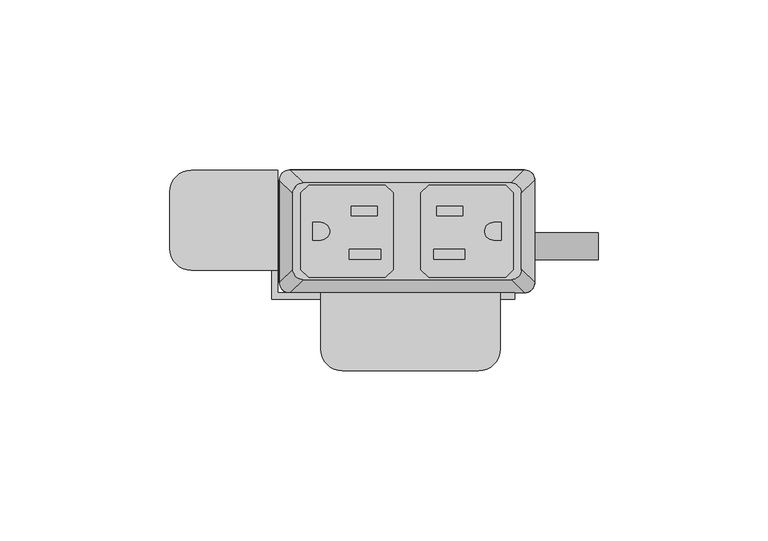
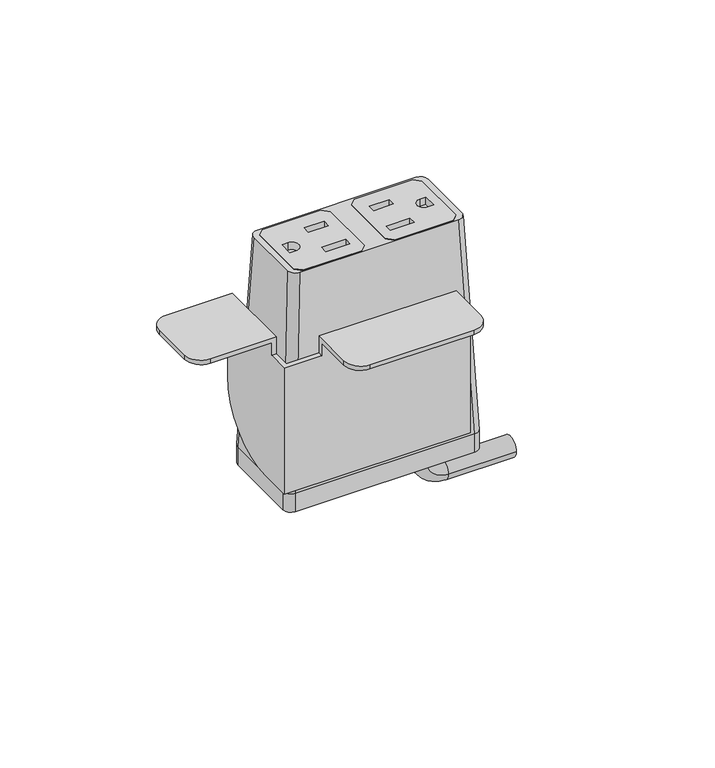
"""IFC4 building model written with IfcOpenShell, lengths in millimetres: furniture geometry."""

from ifc_helpers import new_model, si_unit, point, frame, frame_2d, origin, place, context, project, spatial, polyline, circle_curve, ellipse_curve, trimmed, segment, composite_curve, outline, extrude, source, transform, mapped, element, save
from ifc_brep_helpers import plane_surface, cylinder_surface, revolved_surface, extruded_surface, advanced_brep


def furniture_06a20ab9(model_context):
    return source(origin(), model_context, "Body", "SolidModel", [
        extrude(outline(polyline([(28.9877496, 31.6867491), (31.2737497, 29.400774), (31.2737497, 6.7950272), (28.9877496, 4.5090526), (6.3817502, 4.5090526), (4.0957501, 6.7950272), (4.0957501, 29.400774), (6.3817502, 31.6867491), (28.9877496, 31.6867491)]), holes=[polyline([(16.3893498, 25.5262103), (8.71855, 25.5262103), (8.71855, 22.6814439), (16.3893498, 22.6814439), (16.3893498, 25.5262103)]), polyline([(17.0497496, 12.7755533), (7.8041498, 12.7755533), (7.8041498, 9.9307858), (17.0497496, 9.9307858), (17.0497496, 12.7755533)]), composite_curve([segment(polyline([(27.7177508, 20.7140722), (25.4427305, 20.7140722)]), True, "CONTINUOUS"), segment(trimmed(circle_curve(frame_2d((25.4427305, 18.0979012)), 2.616171), [point((25.4427305, 20.7140722))], [point((25.4427305, 15.4817301))], True, "CARTESIAN"), True, "CONTINUOUS"), segment(polyline([(25.4427305, 15.4817301), (27.7177508, 15.4817301), (27.7177508, 20.7140722)]), True, "CONTINUOUS")], self_intersect=False)]), frame((0.0, 0.0, 720.9747365), z_axis=(0.0, 0.0, 1.0), x_axis=(1.0, 0.0, 0.0)), (0.0, 0.0, 1.0), 2.9555086),
        extrude(outline(polyline([(-28.9877496, 31.6867491), (-6.3817502, 31.6867491), (-4.0957501, 29.400774), (-4.0957501, 6.7950272), (-6.3817502, 4.5090526), (-28.9877496, 4.5090526), (-31.2737497, 6.7950272), (-31.2737497, 29.400774), (-28.9877496, 31.6867491)]), holes=[polyline([(-16.3893498, 25.5262103), (-16.3893498, 22.6814439), (-8.71855, 22.6814439), (-8.71855, 25.5262103), (-16.3893498, 25.5262103)]), polyline([(-17.0497496, 12.7755533), (-17.0497496, 9.9307858), (-7.8041498, 9.9307858), (-7.8041498, 12.7755533), (-17.0497496, 12.7755533)]), composite_curve([segment(polyline([(-27.7177508, 20.7140722), (-27.7177508, 15.4817301), (-25.4427305, 15.4817301)]), True, "CONTINUOUS"), segment(trimmed(circle_curve(frame_2d((-25.4427305, 18.0979012)), 2.616171), [point((-25.4427305, 15.4817301))], [point((-25.4427305, 20.7140722))], True, "CARTESIAN"), True, "CONTINUOUS"), segment(polyline([(-25.4427305, 20.7140722), (-27.7177508, 20.7140722)]), True, "CONTINUOUS")], self_intersect=False)]), frame((0.0, 0.0, 720.9747365), z_axis=(0.0, 0.0, 1.0), x_axis=(1.0, 0.0, 0.0)), (0.0, 0.0, 1.0), 2.9555086),
        advanced_brep(
        [(-30.6070003, 32.3219007, 723.9170623), (-33.6549997, 29.2739013, 723.9170623), (-33.6549997, 6.9219002, 723.9170623), (-30.6070003, 3.8739008, 723.9170623), (30.6070003, 3.8739008, 723.9170623), (33.6549997, 6.9219002, 723.9170623), (33.6549997, 29.2739013, 723.9170623), (30.6070003, 32.3219007, 723.9170623), (4.0957501, 29.400774, 723.9170623), (6.3817502, 31.6867491, 723.9170623), (28.9877496, 31.6867491, 723.9170623), (31.2737497, 29.400774, 723.9170623), (31.2737497, 6.7950272, 723.9170623), (28.9877496, 4.5090526, 723.9170623), (6.3817502, 4.5090526, 723.9170623), (4.0957501, 6.7950272, 723.9170623), (-4.0957501, 29.400774, 723.9170623), (-4.0957501, 6.7950272, 723.9170623), (-6.3817502, 4.5090526, 723.9170623), (-28.9877496, 4.5090526, 723.9170623), (-31.2737497, 6.7950272, 723.9170623), (-31.2737497, 29.400774, 723.9170623), (-28.9877496, 31.6867491, 723.9170623), (-6.3817502, 31.6867491, 723.9170623), (-34.5440011, 36.1954015, 637.5702434), (34.5440011, 36.1954015, 637.5702434), (37.5920005, 33.1474021, 637.5702434), (37.5920005, 3.0484002, 637.5702434), (34.5440011, 0.0004009, 637.5702434), (-34.5440011, 0.0004009, 637.5702434), (-37.5920005, 3.0484002, 637.5702434), (-37.5920005, 33.1474021, 637.5702434), (4.0957501, 29.400774, 716.7751211), (4.0957501, 6.7950272, 716.7751211), (6.3817502, 4.5090526, 716.7751211), (28.9877496, 4.5090526, 716.7751211), (31.2737497, 6.7950272, 716.7751211), (31.2737497, 29.400774, 716.7751211), (28.9877496, 31.6867491, 716.7751211), (6.3817502, 31.6867491, 716.7751211), (-4.0957501, 29.400774, 716.7751211), (-6.3817502, 31.6867491, 716.7751211), (-28.9877496, 31.6867491, 716.7751211), (-31.2737497, 29.400774, 716.7751211), (-31.2737497, 6.7950272, 716.7751211), (-28.9877496, 4.5090526, 716.7751211), (-6.3817502, 4.5090526, 716.7751211), (-4.0957501, 6.7950272, 716.7751211)],
        [
            (0, 1, circle_curve(frame((-30.6070003, 29.2739013, 723.9170623), z_axis=(0.0, 0.0, 1.0), x_axis=(-1.0, 0.0, 0.0)), 3.0479994)),
            (1, 2),
            (2, 3, circle_curve(frame((-30.6070003, 6.9219002, 723.9170623), z_axis=(0.0, 0.0, 1.0), x_axis=(-1.0, 0.0, 0.0)), 3.0479994)),
            (3, 4),
            (4, 5, circle_curve(frame((30.6070003, 6.9219002, 723.9170623), z_axis=(0.0, 0.0, 1.0), x_axis=(-1.0, 0.0, 0.0)), 3.0479994)),
            (5, 6),
            (6, 7, circle_curve(frame((30.6070003, 29.2739013, 723.9170623), z_axis=(0.0, 0.0, 1.0), x_axis=(-1.0, 0.0, 0.0)), 3.0479994)),
            (7, 0),
            (8, 9),
            (9, 10),
            (10, 11),
            (11, 12),
            (12, 13),
            (13, 14),
            (14, 15),
            (15, 8),
            (16, 17),
            (17, 18),
            (18, 19),
            (19, 20),
            (20, 21),
            (21, 22),
            (22, 23),
            (23, 16),
            (24, 25),
            (25, 26, circle_curve(frame((34.5440011, 33.1474021, 637.5702434), z_axis=(0.0, 0.0, -1.0), x_axis=(-1.0, 0.0, 0.0)), 3.0479994)),
            (26, 27),
            (27, 28, circle_curve(frame((34.5440011, 3.0484002, 637.5702434), z_axis=(0.0, 0.0, -1.0), x_axis=(-1.0, 0.0, 0.0)), 3.0479994)),
            (28, 29),
            (29, 30, circle_curve(frame((-34.5440011, 3.0484002, 637.5702434), z_axis=(0.0, 0.0, -1.0), x_axis=(-1.0, 0.0, 0.0)), 3.0479994)),
            (30, 31),
            (31, 24, circle_curve(frame((-34.5440011, 33.1474021, 637.5702434), z_axis=(0.0, 0.0, -1.0), x_axis=(-1.0, 0.0, 0.0)), 3.0479994)),
            (0, 24),
            (31, 1),
            (30, 2),
            (29, 3),
            (28, 4),
            (27, 5),
            (26, 6),
            (25, 7),
            (32, 33),
            (33, 34),
            (34, 35),
            (35, 36),
            (36, 37),
            (37, 38),
            (38, 39),
            (39, 32),
            (40, 41),
            (41, 42),
            (42, 43),
            (43, 44),
            (44, 45),
            (45, 46),
            (46, 47),
            (47, 40),
            (39, 9),
            (8, 32),
            (38, 10),
            (37, 11),
            (36, 12),
            (35, 13),
            (34, 14),
            (33, 15),
            (47, 17),
            (16, 40),
            (46, 18),
            (45, 19),
            (44, 20),
            (43, 21),
            (42, 22),
            (41, 23),
        ],
        [
            plane_surface(frame((0.0, 18.0979007, 723.9170623), z_axis=(0.0, 0.0, 1.0), x_axis=(-1.0, 0.0, 0.0))),
            plane_surface(frame((0.0, 18.0979012, 637.5702434), z_axis=(0.0, 0.0, -1.0), x_axis=(-1.0, 0.0, 0.0))),
            extruded_surface(trimmed(circle_curve(frame((-34.5440011, 33.1474021, 637.5702434), z_axis=(0.0, 0.0, 1.0), x_axis=(-1.0, 0.0, 0.0)), 3.0479994), [point((-34.5440011, 36.1954015, 637.5702434))], [point((-37.5920005, 33.1474021, 637.5702434))], True, "CARTESIAN"), (3.9370008000000034, -3.873500800000002, 86.34681890000002), 86.52327500676452),
            plane_surface(frame((-37.5920005, 18.0979012, 637.5702434), z_axis=(-0.9989621566211194, 0.0, 0.04554788292425982), x_axis=(0.0, -1.0, 0.0))),
            extruded_surface(trimmed(circle_curve(frame((-34.5440011, 3.0484002, 637.5702434), z_axis=(0.0, 0.0, 1.0), x_axis=(-1.0, 0.0, 0.0)), 3.0479994), [point((-37.5920005, 3.0484002, 637.5702434))], [point((-34.5440011, 0.0004009, 637.5702434))], True, "CARTESIAN"), (3.9370008000000034, 3.8734999999999995, 86.34681890000002), 86.52327497094987),
            plane_surface(frame((0.0, 0.0004009, 637.5702434), z_axis=(0.0, -0.9989953158490498, 0.044814717578687276), x_axis=(1.0, 0.0, 0.0))),
            extruded_surface(trimmed(circle_curve(frame((34.5440011, 3.0484002, 637.5702434), z_axis=(0.0, 0.0, 1.0), x_axis=(-1.0, 0.0, 0.0)), 3.0479994), [point((34.5440011, 0.0004009, 637.5702434))], [point((37.5920005, 3.0484002, 637.5702434))], True, "CARTESIAN"), (-3.9370008000000034, 3.8734999999999995, 86.34681890000002), 86.52327497094987),
            plane_surface(frame((37.5920005, 18.0979012, 637.5702434), z_axis=(0.9989621566211194, 0.0, 0.04554788292425977), x_axis=(0.0, 1.0, 0.0))),
            extruded_surface(trimmed(circle_curve(frame((34.5440011, 33.1474021, 637.5702434), z_axis=(0.0, 0.0, 1.0), x_axis=(-1.0, 0.0, 0.0)), 3.0479994), [point((37.5920005, 33.1474021, 637.5702434))], [point((34.5440011, 36.1954015, 637.5702434))], True, "CARTESIAN"), (-3.9370008000000034, -3.873500800000002, 86.34681890000002), 86.52327500676452),
            plane_surface(frame((0.0, 36.1954015, 637.5702434), z_axis=(0.0, 0.9989953153818162, 0.04481472799410512), x_axis=(-1.0, 0.0, 0.0))),
            plane_surface(frame((4.0957501, 29.400774, 716.7751211), z_axis=(0.0, 0.0, 1.0), x_axis=(0.707110644658062, 0.7071029176939239, 0.0))),
            plane_surface(frame((4.0957501, 29.400774, 716.7751211), z_axis=(0.7071029176939239, -0.707110644658062, 0.0), x_axis=(0.0, 0.0, 1.0))),
            plane_surface(frame((6.3817502, 31.6867491, 716.7751211), z_axis=(0.0, -1.0, 0.0), x_axis=(0.0, 0.0, 1.0))),
            plane_surface(frame((28.9877496, 31.6867491, 716.7751211), z_axis=(-0.7071029176939239, -0.707110644658062, 0.0), x_axis=(0.0, 0.0, 1.0))),
            plane_surface(frame((31.2737497, 29.400774, 716.7751211), z_axis=(-1.0, 0.0, 0.0), x_axis=(0.0, 0.0, 1.0))),
            plane_surface(frame((31.2737497, 6.7950272, 716.7751211), z_axis=(-0.7071028298865373, 0.7071107324644781, 0.0), x_axis=(0.0, 0.0, 1.0))),
            plane_surface(frame((28.9877496, 4.5090526, 716.7751211), z_axis=(0.0, 1.0, 0.0), x_axis=(0.0, 0.0, 1.0))),
            plane_surface(frame((6.3817502, 4.5090526, 716.7751211), z_axis=(0.7071028298865373, 0.7071107324644781, 0.0), x_axis=(0.0, 0.0, 1.0))),
            plane_surface(frame((4.0957501, 6.7950272, 716.7751211), z_axis=(1.0, 0.0, 0.0), x_axis=(0.0, 0.0, 1.0))),
            plane_surface(frame((-4.0957501, 29.400774, 716.7751211), z_axis=(-1.0, 0.0, 0.0), x_axis=(0.0, 0.0, 1.0))),
            plane_surface(frame((-4.0957501, 6.7950272, 716.7751211), z_axis=(-0.7071028298865389, 0.7071107324644764, 0.0), x_axis=(0.0, 0.0, 1.0))),
            plane_surface(frame((-6.3817502, 4.5090526, 716.7751211), z_axis=(0.0, 1.0, 0.0), x_axis=(0.0, 0.0, 1.0))),
            plane_surface(frame((-28.9877496, 4.5090526, 716.7751211), z_axis=(0.707102829886537, 0.7071107324644784, 0.0), x_axis=(0.0, 0.0, 1.0))),
            plane_surface(frame((-31.2737497, 6.7950272, 716.7751211), z_axis=(1.0, 0.0, 0.0), x_axis=(0.0, 0.0, 1.0))),
            plane_surface(frame((-31.2737497, 29.400774, 716.7751211), z_axis=(0.7071029176940063, -0.7071106446579796, 0.0), x_axis=(0.0, 0.0, 1.0))),
            plane_surface(frame((-28.9877496, 31.6867491, 716.7751211), z_axis=(0.0, -1.0, 0.0), x_axis=(0.0, 0.0, 1.0))),
            plane_surface(frame((-6.3817502, 31.6867491, 716.7751211), z_axis=(-0.7071029176940076, -0.7071106446579782, 0.0), x_axis=(0.0, 0.0, 1.0))),
        ],
        [
            (0, [[1, 2, 3, 4, 5, 6, 7, 8], [9, 10, 11, 12, 13, 14, 15, 16], [17, 18, 19, 20, 21, 22, 23, 24]]),
            (1, [[25, 26, 27, 28, 29, 30, 31, 32]]),
            (2, [[-1, 33, -32, 34]]),
            (3, [[-2, -34, -31, 35]]),
            (4, [[-3, -35, -30, 36]]),
            (5, [[-4, -36, -29, 37]]),
            (6, [[-5, -37, -28, 38]]),
            (7, [[-6, -38, -27, 39]]),
            (8, [[-7, -39, -26, 40]]),
            (9, [[-8, -40, -25, -33]]),
            (10, [[41, 42, 43, 44, 45, 46, 47, 48]]),
            (10, [[49, 50, 51, 52, 53, 54, 55, 56]]),
            (11, [[-48, 57, -9, 58]]),
            (12, [[-47, 59, -10, -57]]),
            (13, [[-46, 60, -11, -59]]),
            (14, [[-45, 61, -12, -60]]),
            (15, [[-44, 62, -13, -61]]),
            (16, [[-43, 63, -14, -62]]),
            (17, [[-42, 64, -15, -63]]),
            (18, [[-41, -58, -16, -64]]),
            (19, [[-56, 65, -17, 66]]),
            (20, [[-55, 67, -18, -65]]),
            (21, [[-54, 68, -19, -67]]),
            (22, [[-53, 69, -20, -68]]),
            (23, [[-52, 70, -21, -69]]),
            (24, [[-51, 71, -22, -70]]),
            (25, [[-50, 72, -23, -71]]),
            (26, [[-49, -66, -24, -72]]),
        ],
    ),
        advanced_brep(
        [(21.5715504, 17.7128311, 630.0960348), (21.5715504, 9.7137856, 630.0960348), (21.5715504, 17.7128311, 625.2662821), (21.5715504, 9.7137856, 625.2662821), (30.0384415, 9.7137856, 616.799391), (30.0384415, 17.7128311, 616.799391), (56.2588798, 17.7128311, 616.799391), (56.2588798, 9.7137856, 616.799391)],
        [
            (0, 1, circle_curve(frame((21.5715504, 13.7133083, 630.0960348), z_axis=(0.0, 0.0, 1.0), x_axis=(0.0, -1.0, 0.0)), 3.9995228)),
            (1, 0, circle_curve(frame((21.5715504, 13.7133083, 630.0960348), z_axis=(0.0, 0.0, 1.0), x_axis=(0.0, -1.0, 0.0)), 3.9995228)),
            (0, 2),
            (2, 3, circle_curve(frame((21.5715504, 13.7133083, 625.2662821), z_axis=(0.0, 0.0, 1.0), x_axis=(0.0, -1.0, 0.0)), 3.9995228)),
            (3, 1),
            (3, 2, circle_curve(frame((21.5715504, 13.7133083, 625.2662821), z_axis=(0.0, 0.0, 1.0), x_axis=(0.0, -1.0, 0.0)), 3.9995228)),
            (4, 3, circle_curve(frame((30.0384415, 9.7137856, 625.2662821), z_axis=(0.0, 1.0, 0.0), x_axis=(-1.0, 0.0, 0.0)), 8.4668911)),
            (2, 5, circle_curve(frame((30.0384415, 17.7128311, 625.2662821), z_axis=(0.0, -1.0, 0.0), x_axis=(-1.0, 0.0, 0.0)), 8.4668911)),
            (5, 4, circle_curve(frame((30.0384415, 13.7133083, 616.799391), z_axis=(-1.0, 0.0, 0.0), x_axis=(0.0, -1.0, 0.0)), 3.9995228)),
            (4, 5, circle_curve(frame((30.0384415, 13.7133083, 616.799391), z_axis=(-1.0, 0.0, 0.0), x_axis=(0.0, -1.0, 0.0)), 3.9995228)),
            (6, 7, circle_curve(frame((56.2588798, 13.7133083, 616.799391), z_axis=(1.0, 0.0, 0.0), x_axis=(0.0, -1.0, 0.0)), 3.9995228)),
            (7, 6, circle_curve(frame((56.2588798, 13.7133083, 616.799391), z_axis=(1.0, 0.0, 0.0), x_axis=(0.0, -1.0, 0.0)), 3.9995228)),
            (5, 6),
            (7, 4),
        ],
        [
            plane_surface(frame((21.5715504, 0.0, 630.0960348), z_axis=(0.0, 0.0, 1.0), x_axis=(0.0, -1.0, 0.0))),
            cylinder_surface(frame((21.5715504, 13.7133083, 630.0960348), z_axis=(0.0, 0.0, 1.0), x_axis=(0.0, -1.0, 0.0)), 3.9995228),
            revolved_surface(trimmed(ellipse_curve(frame((21.5715504, 13.7133083, 625.2662821), z_axis=(0.0, 0.0, 1.0), x_axis=(0.0, -1.0, 0.0)), 3.9995228, 3.9995228), [point((21.5715504, 17.7128311, 625.2662821))], [point((21.5715504, 9.7137856, 625.2662821))], True, "CARTESIAN"), (30.0384415, 0.0, 625.2662821), (0.0, -1.0, 0.0)),
            revolved_surface(trimmed(ellipse_curve(frame((21.5715504, 13.7133083, 625.2662821), z_axis=(0.0, 0.0, 1.0), x_axis=(0.0, -1.0, 0.0)), 3.9995228, 3.9995228), [point((21.5715504, 9.7137856, 625.2662821))], [point((21.5715504, 17.7128311, 625.2662821))], True, "CARTESIAN"), (30.0384415, 0.0, 625.2662821), (0.0, -1.0, 0.0)),
            plane_surface(frame((56.2588798, 0.0, 616.799391), z_axis=(1.0, 0.0, 0.0), x_axis=(0.0, -1.0, 0.0))),
            cylinder_surface(frame((30.0384415, 13.7133083, 616.799391), z_axis=(-1.0, 0.0, 0.0), x_axis=(0.0, -1.0, 0.0)), 3.9995228),
        ],
        [
            (0, [[1, 2]]),
            (1, [[-1, 3, 4, 5]]),
            (1, [[-2, -5, 6, -3]]),
            (2, [[7, -4, 8, 9]]),
            (3, [[-8, -6, -7, 10]]),
            (4, [[11, 12]]),
            (5, [[-9, 13, -12, 14]]),
            (5, [[-10, -14, -11, -13]]),
        ],
    ),
        extrude(outline(composite_curve([segment(trimmed(circle_curve(frame_2d((34.5440011, 33.1474021)), 3.0479994), [point((34.5440011, 36.1954015))], [point((37.5920005, 33.1474021))], False, "CARTESIAN"), True, "CONTINUOUS"), segment(polyline([(37.5920005, 33.1474021), (37.5920005, 3.0484002)]), True, "CONTINUOUS"), segment(trimmed(circle_curve(frame_2d((34.5440011, 3.0484002)), 3.0479994), [point((37.5920005, 3.0484002))], [point((34.5440011, 0.0004009))], False, "CARTESIAN"), True, "CONTINUOUS"), segment(polyline([(34.5440011, 0.0004009), (-34.5440011, 0.0004009)]), True, "CONTINUOUS"), segment(trimmed(circle_curve(frame_2d((-34.5440011, 3.0484002)), 3.0479994), [point((-34.5440011, 0.0004009))], [point((-37.5920005, 3.0484002))], False, "CARTESIAN"), True, "CONTINUOUS"), segment(polyline([(-37.5920005, 3.0484002), (-37.5920005, 33.1474021)]), True, "CONTINUOUS"), segment(trimmed(circle_curve(frame_2d((-34.5440011, 33.1474021)), 3.0479994), [point((-37.5920005, 33.1474021))], [point((-34.5440011, 36.1954015))], False, "CARTESIAN"), True, "CONTINUOUS"), segment(polyline([(-34.5440011, 36.1954015), (34.5440011, 36.1954015)]), True, "CONTINUOUS")], self_intersect=False)), frame((0.0, 0.0, 630.0960348), z_axis=(0.0, 0.0, 1.0), x_axis=(1.0, 0.0, 0.0)), (0.0, 0.0, 1.0), 7.4742086),
        advanced_brep(
        [(-63.4998651, 6.6265515, 696.722), (-69.8498653, 12.9765517, 696.722), (-69.8498653, 29.7151512, 696.722), (-63.4998645, 36.0651519, 696.722), (-39.877862, 36.0651519, 696.722), (-39.877862, 6.6265515, 696.722), (27.4321373, -16.6144474, 696.722), (21.0821366, -22.9644481, 696.722), (-19.0498626, -22.9644481, 696.722), (-25.3998622, -16.6144485, 696.722), (-25.3998622, -1.9078486, 696.722), (27.4321373, -1.9078486, 696.722), (-63.4998645, 36.0651519, 698.5), (-69.8498653, 29.7151512, 698.5), (-69.8498653, 12.9765517, 698.5), (-63.4998651, 6.6265515, 698.5), (-38.0998637, 6.6265515, 698.5), (-38.0998637, 36.0651519, 698.5), (-25.3998622, 0.0, 698.5), (-25.3998622, -16.6144485, 698.5), (-19.0498626, -22.9644481, 698.5), (21.0821366, -22.9644481, 698.5), (27.4321373, -16.6144474, 698.5), (27.4321373, 0.0, 698.5), (-38.0998637, 36.0651519, 665.4799997), (-39.877862, 36.0651519, 665.4799997), (-39.877862, 6.6265515, 691.6419997), (-38.0998637, 6.6265515, 691.6419997), (-38.0998637, 0.0, 691.6419997), (-38.0998637, 0.0, 640.0800012), (-38.0998637, 10.6651534, 640.0800012), (27.4321373, -1.9078486, 691.6419997), (27.4321373, 0.0, 691.6419997), (31.7501378, 0.0, 691.6419997), (31.7501378, 0.0, 640.0800012), (-25.3998622, 0.0, 691.6419997), (-25.3998622, -1.9078486, 691.6419997), (-39.877862, 10.6651534, 640.0800012), (-39.877862, -1.9078486, 640.0800012), (-39.877862, -1.9078486, 691.6419997), (31.7501378, -1.9078486, 640.0800012), (31.7501378, -1.9078486, 691.6419997)],
        [
            (0, 1, circle_curve(frame((-63.4998651, 12.9765517, 696.722), z_axis=(0.0, 0.0, -1.0), x_axis=(-1.0, 0.0, 0.0)), 6.3500002)),
            (1, 2),
            (2, 3, circle_curve(frame((-63.4998645, 29.7151512, 696.722), z_axis=(0.0, 0.0, -1.0), x_axis=(-1.0, 0.0, 0.0)), 6.3500008)),
            (3, 4),
            (4, 5),
            (5, 0),
            (6, 7, circle_curve(frame((21.0821366, -16.6144474, 696.722), z_axis=(0.0, 0.0, -1.0), x_axis=(-1.0, 0.0, 0.0)), 6.3500008)),
            (7, 8),
            (8, 9, circle_curve(frame((-19.0498626, -16.6144485, 696.722), z_axis=(0.0, 0.0, -1.0), x_axis=(-1.0, 0.0, 0.0)), 6.3499996)),
            (9, 10),
            (10, 11),
            (11, 6),
            (12, 13, circle_curve(frame((-63.4998645, 29.7151512, 698.5), z_axis=(0.0, 0.0, 1.0), x_axis=(-1.0, 0.0, 0.0)), 6.3500008)),
            (13, 14),
            (14, 15, circle_curve(frame((-63.4998651, 12.9765517, 698.5), z_axis=(0.0, 0.0, 1.0), x_axis=(-1.0, 0.0, 0.0)), 6.3500002)),
            (15, 16),
            (16, 17),
            (17, 12),
            (18, 19),
            (19, 20, circle_curve(frame((-19.0498626, -16.6144485, 698.5), z_axis=(0.0, 0.0, 1.0), x_axis=(-1.0, 0.0, 0.0)), 6.3499996)),
            (20, 21),
            (21, 22, circle_curve(frame((21.0821366, -16.6144474, 698.5), z_axis=(0.0, 0.0, 1.0), x_axis=(-1.0, 0.0, 0.0)), 6.3500008)),
            (22, 23),
            (23, 18),
            (3, 12),
            (17, 24),
            (24, 25),
            (25, 4),
            (2, 13),
            (1, 14),
            (0, 15),
            (5, 26),
            (26, 27),
            (27, 16),
            (27, 28),
            (28, 29),
            (29, 30),
            (30, 24, circle_curve(frame((-38.0998637, 10.6651534, 665.4799997), z_axis=(1.0, 0.0, 0.0), x_axis=(0.0, -1.0, 0.0)), 25.3999985)),
            (8, 20),
            (19, 9),
            (7, 21),
            (6, 22),
            (11, 31),
            (31, 32),
            (32, 23),
            (32, 33),
            (33, 34),
            (34, 29),
            (28, 35),
            (35, 18),
            (35, 36),
            (36, 10),
            (25, 37, circle_curve(frame((-39.877862, 10.6651534, 665.4799997), z_axis=(-1.0, 0.0, 0.0), x_axis=(0.0, -1.0, 0.0)), 25.3999985)),
            (37, 38),
            (38, 39),
            (39, 26),
            (30, 37),
            (34, 40),
            (40, 38),
            (40, 41),
            (41, 31),
            (36, 39),
            (41, 33),
        ],
        [
            plane_surface(frame((-63.4998645, 36.0651519, 696.722), z_axis=(0.0, 0.0, -1.0), x_axis=(1.0, 0.0, 0.0))),
            plane_surface(frame((-63.4998645, 36.0651519, 698.5), z_axis=(0.0, 0.0, 1.0), x_axis=(-1.0, 0.0, 0.0))),
            plane_surface(frame((-38.0998637, 36.0651519, 698.5), z_axis=(0.0, 1.0, 0.0), x_axis=(0.0, 0.0, -1.0))),
            cylinder_surface(frame((-63.4998645, 29.7151512, 696.722), z_axis=(0.0, 0.0, 1.0), x_axis=(-1.0, 0.0, 0.0)), 6.3500008),
            plane_surface(frame((-69.8498653, 29.7151512, 698.5), z_axis=(-1.0, 0.0, 0.0), x_axis=(0.0, 0.0, -1.0))),
            cylinder_surface(frame((-63.4998651, 12.9765517, 696.722), z_axis=(0.0, 0.0, 1.0), x_axis=(-1.0, 0.0, 0.0)), 6.3500002),
            plane_surface(frame((-63.4998651, 6.6265515, 698.5), z_axis=(0.0, -1.0, 0.0), x_axis=(0.0, 0.0, -1.0))),
            plane_surface(frame((-38.0998637, 6.6265515, 698.5), z_axis=(1.0, 0.0, 0.0), x_axis=(0.0, 0.0, -1.0))),
            cylinder_surface(frame((-19.0498626, -16.6144485, 698.5), z_axis=(0.0, 0.0, 1.0), x_axis=(-1.0, 0.0, 0.0)), 6.3499996),
            plane_surface(frame((-19.0498626, -22.9644481, 698.5), z_axis=(0.0, -1.0, 0.0), x_axis=(0.0, 0.0, -1.0))),
            cylinder_surface(frame((21.0821366, -16.6144474, 698.5), z_axis=(0.0, 0.0, 1.0), x_axis=(-1.0, 0.0, 0.0)), 6.3500008),
            plane_surface(frame((27.4321373, -16.6144474, 698.5), z_axis=(1.0, 0.0, 0.0), x_axis=(0.0, 0.0, -1.0))),
            plane_surface(frame((27.4321373, 0.0, 698.5), z_axis=(0.0, 1.0, 0.0), x_axis=(0.0, 0.0, -1.0))),
            plane_surface(frame((-25.3998622, 0.0, 698.5), z_axis=(-1.0, 0.0, 0.0), x_axis=(0.0, 0.0, -1.0))),
            plane_surface(frame((-39.877862, 36.0651519, 665.4799997), z_axis=(-1.0, 0.0, 0.0), x_axis=(0.0, 0.0, -1.0))),
            cylinder_surface(frame((-38.0998637, 10.6651534, 665.4799997), z_axis=(-1.0, 0.0, 0.0), x_axis=(0.0, -1.0, 0.0)), 25.3999985),
            plane_surface(frame((-39.877862, 10.6651534, 640.0800012), z_axis=(0.0, 0.0, -1.0), x_axis=(1.0, 0.0, 0.0))),
            plane_surface(frame((-39.877862, -1.9078486, 640.0800012), z_axis=(0.0, -1.0, 0.0), x_axis=(1.0, 0.0, 0.0))),
            plane_surface(frame((-39.877862, -1.9078486, 691.6419997), z_axis=(0.0, 0.0, 1.0), x_axis=(1.0, 0.0, 0.0))),
            plane_surface(frame((31.7501378, -1.9078486, 691.6419997), z_axis=(0.0, 0.0, 1.0), x_axis=(0.0, 1.0, 0.0))),
            plane_surface(frame((31.7501378, -1.9078486, 640.0800012), z_axis=(1.0, 0.0, 0.0), x_axis=(0.0, 1.0, 0.0))),
        ],
        [
            (0, [[1, 2, 3, 4, 5, 6]]),
            (0, [[7, 8, 9, 10, 11, 12]]),
            (1, [[13, 14, 15, 16, 17, 18]]),
            (1, [[19, 20, 21, 22, 23, 24]]),
            (2, [[25, -18, 26, 27, 28, -4]]),
            (3, [[-3, 29, -13, -25]]),
            (4, [[-2, 30, -14, -29]]),
            (5, [[-1, 31, -15, -30]]),
            (6, [[-31, -6, 32, 33, 34, -16]]),
            (7, [[-17, -34, 35, 36, 37, 38, -26]]),
            (8, [[-9, 39, -20, 40]]),
            (9, [[-8, 41, -21, -39]]),
            (10, [[-7, 42, -22, -41]]),
            (11, [[-42, -12, 43, 44, 45, -23]]),
            (12, [[-24, -45, 46, 47, 48, -36, 49, 50]]),
            (13, [[-40, -19, -50, 51, 52, -10]]),
            (14, [[53, 54, 55, 56, -32, -5, -28]]),
            (15, [[-53, -27, -38, 57]]),
            (16, [[-57, -37, -48, 58, 59, -54]]),
            (17, [[-55, -59, 60, 61, -43, -11, -52, 62]]),
            (18, [[-62, -51, -49, -35, -33, -56]]),
            (19, [[-61, 63, -46, -44]]),
            (20, [[-60, -58, -47, -63]]),
        ],
    ),
    ])


if __name__ == "__main__":
    model = new_model("IFC4")
    model_context = context("Model", 3, world=origin())
    ifc_project = project(units=[si_unit("LENGTHUNIT", "METRE", prefix="MILLI")], contexts=[model_context])
    site = spatial("IfcSite", under=ifc_project)
    building = spatial("IfcBuilding", under=site)
    placement = place(None, origin())
    furniture_shape = furniture_06a20ab9(model_context)
    element("IfcFurniture", 1, at=placement, inside=building, context=model_context, shape_type="MappedRepresentation", body=[
        mapped(furniture_shape, transform((0.0, 0.0, 0.0), x_axis=(1.0, 0.0, 0.0), y_axis=(0.0, 1.0, 0.0), z_axis=(0.0, 0.0, 1.0))),
    ])
    save(model, "model.ifc")
